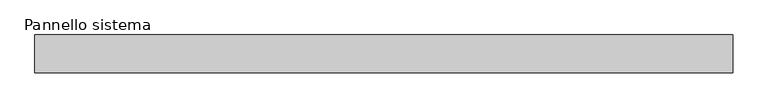
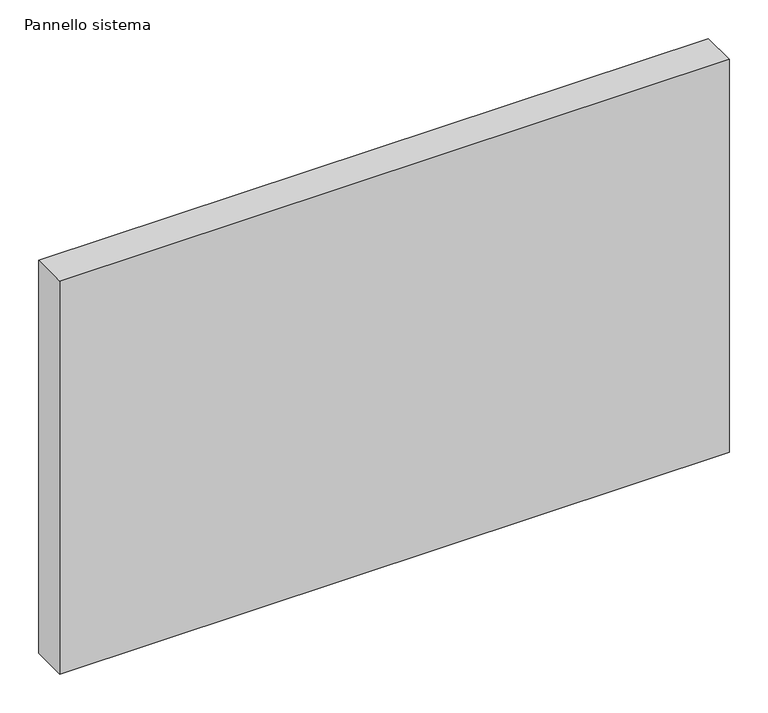
"""IFC4 building model written with IfcOpenShell, lengths in millimetres: plate geometry, Pannello sistema."""

from ifc_helpers import new_model, si_unit, origin, origin_with_axes, place, context, project, spatial, polyline, outline, extrude, source, transform, mapped, element, save


def pannello_sistema_4082545d(model_context):
    return source(origin(), model_context, "Body", "SweptSolid", [
        extrude(outline(polyline([(500.0, -27.0), (-500.0, -27.0), (-500.0, 27.0), (500.0, 27.0), (500.0, -27.0)])), origin_with_axes(), (0.0, 0.0, 1.0), 620.0),
    ])


if __name__ == "__main__":
    model = new_model("IFC4")
    model_context = context("Model", 3, world=origin())
    ifc_project = project(units=[si_unit("LENGTHUNIT", "METRE", prefix="MILLI")], contexts=[model_context])
    site = spatial("IfcSite", under=ifc_project)
    building = spatial("IfcBuilding", under=site)
    placement = place(None, origin())
    pannello_sistema_shape = pannello_sistema_4082545d(model_context)
    element("IfcPlate", 1, ObjectType="Pannello sistema", at=placement, inside=building, context=model_context, shape_type="MappedRepresentation", body=[
        mapped(pannello_sistema_shape, transform((0.0, 0.0, 0.0), x_axis=(1.0, 0.0, 0.0), y_axis=(0.0, 1.0, 0.0), z_axis=(0.0, 0.0, 1.0))),
    ])
    save(model, "model.ifc")
